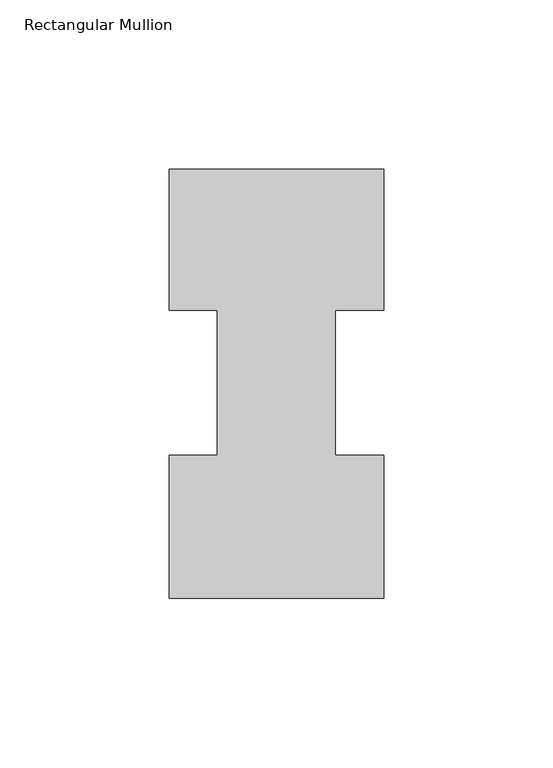
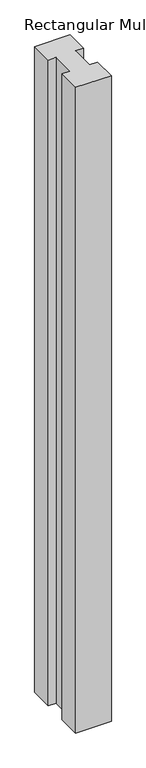
"""IFC4 building model written with IfcOpenShell, lengths in millimetres: member geometry, Rectangular Mullion."""

import ifcopenshell
import ifcopenshell.guid

model = None  # the IFC model being written
_history = None  # IfcOwnerHistory: only IFC2X3 demands one
_inside = {}  # id of a spatial element -> (the spatial element, [elements in it])
_under = {}  # id of a project, library or spatial element -> (it, [spatial elements below it])
_declared = {}  # id of a project -> (the project, [libraries it declares])
_typed = {}  # id of a type object -> (the type object, [elements of that type])
_made_of = {}  # id of a material, layer set ... -> (it, [elements and type objects made of it])


def new_model(schema):
    """Start an empty IFC model of exactly this schema.

    Asked for "IFC4X3", IfcOpenShell would pick the latest addendum, in which some entities
    have other attributes; the version numbers below select the first issue.
    IFC2X3 requires an IfcOwnerHistory on every rooted entity: one is made here for all.
    """
    global model, _history
    if schema == "IFC4X3":
        model = ifcopenshell.file(schema_version=(4, 3, 0, 0))
    else:
        model = ifcopenshell.file(schema=schema)
    _inside.clear()
    _under.clear()
    _declared.clear()
    _typed.clear()
    _made_of.clear()
    _history = None
    if model.schema == "IFC2X3":
        org = make("IfcOrganization", Name="unknown")
        user = make(
            "IfcPersonAndOrganization",
            ThePerson=make("IfcPerson", FamilyName="unknown"),
            TheOrganization=org,
        )
        app = make(
            "IfcApplication",
            ApplicationDeveloper=org,
            Version="unknown",
            ApplicationFullName="unknown",
            ApplicationIdentifier="unknown",
        )
        _history = make(
            "IfcOwnerHistory",
            OwningUser=user,
            OwningApplication=app,
            ChangeAction="ADDED",
            CreationDate=0,
        )
    return model


def make(cls, **values):
    """One entity of the class cls with the attributes given. An attribute that is None is left unset."""
    return model.create_entity(
        cls, **{name: value for name, value in values.items() if value is not None}
    )


def rooted(cls, **values):
    """An entity with a GlobalId (a new one), such as an element, a storey or a relation."""
    return make(cls, GlobalId=ifcopenshell.guid.new(), OwnerHistory=_history, **values)


def si_unit(unit_type, name, prefix=None):
    """IfcSIUnit, for example si_unit("LENGTHUNIT", "METRE", prefix="MILLI")."""
    return make("IfcSIUnit", UnitType=unit_type, Prefix=prefix, Name=name)


def assignment(units):
    """IfcUnitAssignment: the units of a project."""
    return None if units is None else make("IfcUnitAssignment", Units=units)


def point(xyz):
    """IfcCartesianPoint."""
    return None if xyz is None else make("IfcCartesianPoint", Coordinates=xyz)


def direction(xyz):
    """IfcDirection."""
    return None if xyz is None else make("IfcDirection", DirectionRatios=xyz)


def frame(location, z_axis=None, x_axis=None):
    """IfcAxis2Placement3D, a coordinate frame: its origin and axes. An axis left out is left unset."""
    return make(
        "IfcAxis2Placement3D",
        Location=point(location),
        Axis=direction(z_axis),
        RefDirection=direction(x_axis),
    )


def origin():
    """The frame at (0, 0, 0) with its axes left unset."""
    return frame((0.0, 0.0, 0.0))


def place(relative_to, where):
    """IfcLocalPlacement: puts the frame where relative to a parent placement (None: the world)."""
    return make(
        "IfcLocalPlacement", PlacementRelTo=relative_to, RelativePlacement=where
    )


def context(
    kind, dimensions, precision=None, world=None, true_north=None, identifier=None
):
    """IfcGeometricRepresentationContext, for example the 3D "Model" context."""
    return make(
        "IfcGeometricRepresentationContext",
        ContextIdentifier=identifier,
        ContextType=kind,
        CoordinateSpaceDimension=dimensions,
        Precision=precision,
        WorldCoordinateSystem=world,
        TrueNorth=true_north,
    )


def project(units=None, contexts=None):
    """IfcProject with its units and contexts."""
    return rooted(
        "IfcProject",
        Name="project",
        RepresentationContexts=contexts,
        UnitsInContext=assignment(units),
    )


def spatial(cls, under=None, at=None, **own):
    """A site, building, storey or space (cls), placed at a placement, below another one or the project."""
    s = rooted(cls, ObjectPlacement=at, **own)
    if under is not None:
        _under.setdefault(under.id(), (under, []))[1].append(s)
    return s


def polyline(points):
    """IfcPolyline through the points."""
    return make("IfcPolyline", Points=[point(p) for p in points])


def outline(outer, holes=None, kind="AREA"):
    """IfcArbitraryClosedProfileDef: a profile drawn as a closed curve; with holes, ...WithVoids."""
    if holes is None:
        return make("IfcArbitraryClosedProfileDef", ProfileType=kind, OuterCurve=outer)
    return make(
        "IfcArbitraryProfileDefWithVoids",
        ProfileType=kind,
        OuterCurve=outer,
        InnerCurves=holes,
    )


def extrude(swept, where, along, depth):
    """IfcExtrudedAreaSolid: the profile swept, set in the frame where, extruded along a direction by depth."""
    return make(
        "IfcExtrudedAreaSolid",
        SweptArea=swept,
        Position=where,
        ExtrudedDirection=direction(along),
        Depth=depth,
    )


def shape(context_of_items, identifier, shape_type, items):
    """IfcShapeRepresentation: the items that make up one representation, for example the "Body"."""
    return make(
        "IfcShapeRepresentation",
        ContextOfItems=context_of_items,
        RepresentationIdentifier=identifier,
        RepresentationType=shape_type,
        Items=items,
    )


def source(mapping_origin, context_of_items, identifier, shape_type, items):
    """IfcRepresentationMap: a shape defined once, which mapped items show again and again."""
    return make(
        "IfcRepresentationMap",
        MappingOrigin=mapping_origin,
        MappedRepresentation=shape(context_of_items, identifier, shape_type, items),
    )


def transform(
    local_origin,
    x_axis=None,
    y_axis=None,
    z_axis=None,
    scale=None,
    scale2=None,
    scale3=None,
    uniform=True,
):
    """IfcCartesianTransformationOperator3D, or its non-uniform kind. x_axis, y_axis, z_axis: its Axis1, 2, 3."""
    if uniform:
        return make(
            "IfcCartesianTransformationOperator3D",
            Axis1=direction(x_axis),
            Axis2=direction(y_axis),
            LocalOrigin=point(local_origin),
            Scale=scale,
            Axis3=direction(z_axis),
        )
    return make(
        "IfcCartesianTransformationOperator3DnonUniform",
        Axis1=direction(x_axis),
        Axis2=direction(y_axis),
        LocalOrigin=point(local_origin),
        Scale=scale,
        Axis3=direction(z_axis),
        Scale2=scale2,
        Scale3=scale3,
    )


def mapped(mapping_source, mapping_target):
    """IfcMappedItem: shows the shape of a source again, moved by a transform."""
    return make(
        "IfcMappedItem", MappingSource=mapping_source, MappingTarget=mapping_target
    )


def made_of(thing, what):
    """Note that an element or type object is made of a material, layer set ...; save() writes the relation."""
    if what is not None:
        _made_of.setdefault(what.id(), (what, []))[1].append(thing)
    return thing


def element(
    cls,
    number,
    at=None,
    inside=None,
    cuts=None,
    type_object=None,
    material=None,
    context=None,
    identifier="Body",
    shape_type=None,
    held_by="IfcProductDefinitionShape",
    body=None,
    shapes=None,
    **own,
):
    """One element of the class cls, such as IfcWall. Its Tag is "e" and its number.

    at: its placement. inside: the storey or other place that contains it. cuts: it is an
    opening in that element (IfcRelVoidsElement). A single representation is given by context,
    identifier, shape_type and body (its items); several are given by shapes. held_by: the class
    of the entity that holds the representations. save() writes the other relations.
    """
    e = rooted(cls, Tag="e%d" % number, ObjectPlacement=at, **own)
    if body is not None:
        shapes = [shape(context, identifier, shape_type, body)]
    if shapes is not None:
        e.Representation = make(held_by, Representations=shapes)
    if inside is not None:
        _inside.setdefault(inside.id(), (inside, []))[1].append(e)
    if cuts is not None:
        rooted(
            "IfcRelVoidsElement", RelatingBuildingElement=cuts, RelatedOpeningElement=e
        )
    if type_object is not None:
        _typed.setdefault(type_object.id(), (type_object, []))[1].append(e)
    return made_of(e, material)


def aggregate(whole, parts):
    """IfcRelAggregates: a whole, such as a stair, and the parts it consists of."""
    return rooted("IfcRelAggregates", RelatingObject=whole, RelatedObjects=parts)


def save(model, path):
    """Write the relations noted so far, then the file.

    IfcRelAggregates (storeys below a building ...), IfcRelContainedInSpatialStructure (elements
    in a storey), IfcRelDefinesByType, IfcRelAssociatesMaterial and IfcRelDeclares: one each for
    every whole, place, type object, material and project.
    """
    for whole, parts in _under.values():
        aggregate(whole, parts)
    for where, things in _inside.values():
        rooted(
            "IfcRelContainedInSpatialStructure",
            RelatedElements=things,
            RelatingStructure=where,
        )
    for kind, things in _typed.values():
        rooted("IfcRelDefinesByType", RelatedObjects=things, RelatingType=kind)
    for what, things in _made_of.values():
        rooted("IfcRelAssociatesMaterial", RelatedObjects=things, RelatingMaterial=what)
    for by, libraries in _declared.values():
        rooted("IfcRelDeclares", RelatingContext=by, RelatedDefinitions=libraries)
    model.write(path)


def rectangular_mullion_03bee8ad(model_context):
    return source(origin(), model_context, "Body", "SweptSolid", [
        extrude(outline(polyline([(31.75, 84.93125), (17.4625, 84.93125), (17.4625, 42.08145), (31.75, 42.08145), (31.75, -0.20955), (-31.75, -0.20955), (-31.75, 42.08145), (-17.4625, 42.08145), (-17.4625, 84.93125), (-31.75, 84.93125), (-31.75, 126.79045), (31.75, 126.79045), (31.75, 84.93125)])), frame((0.0, 0.0, -1219.2), z_axis=(0.0, 0.0, 1.0), x_axis=(1.0, 0.0, 0.0)), (0.0, 0.0, 1.0), 1219.2),
    ])


if __name__ == "__main__":
    model = new_model("IFC4")
    model_context = context("Model", 3, world=origin())
    ifc_project = project(units=[si_unit("LENGTHUNIT", "METRE", prefix="MILLI")], contexts=[model_context])
    site = spatial("IfcSite", under=ifc_project)
    building = spatial("IfcBuilding", under=site)
    placement = place(None, origin())
    rectangular_mullion_shape = rectangular_mullion_03bee8ad(model_context)
    element("IfcMember", 1, ObjectType="Rectangular Mullion", at=placement, inside=building, context=model_context, shape_type="MappedRepresentation", body=[
        mapped(rectangular_mullion_shape, transform((0.0, 0.0, 0.0), x_axis=(1.0, 0.0, 0.0), y_axis=(0.0, 1.0, 0.0), z_axis=(0.0, 0.0, 1.0))),
    ])
    save(model, "model.ifc")
